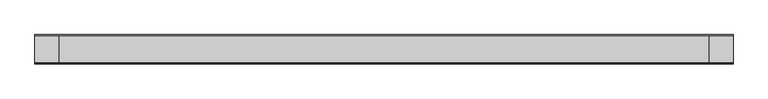
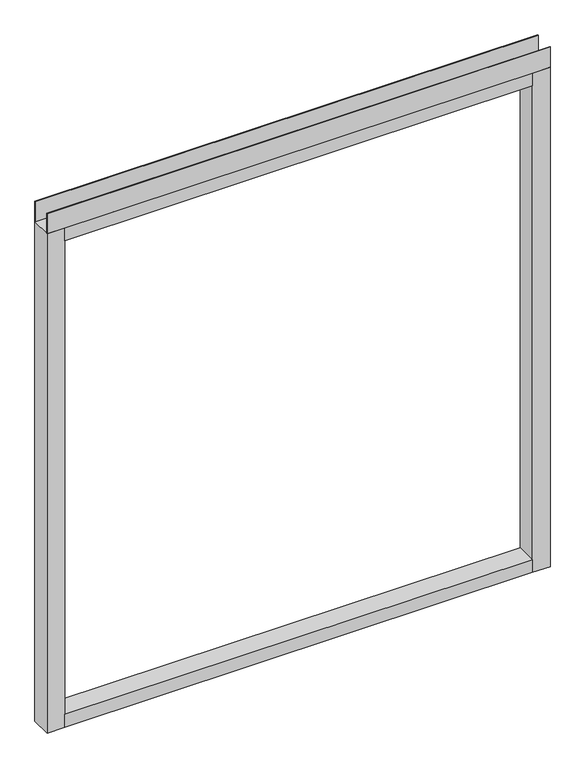
"""IFC4 building model written with IfcOpenShell, lengths in millimetres: furniture geometry."""

from ifc_helpers import new_model, si_unit, frame, origin, place, context, project, spatial, polyline, outline, extrude, source, transform, mapped, element, save


def furniture_6e451b64(model_context):
    return source(origin(), model_context, "Body", "SweptSolid", [
        extrude(outline(polyline([(609.6, -23.8125), (609.6, -25.4), (-609.6, -25.4), (-609.6, -23.8125), (609.6, -23.8125)])), frame((0.0, 0.0, 1381.633), z_axis=(0.0, 0.0, 1.0), x_axis=(1.0, 0.0, 0.0)), (0.0, 0.0, 1.0), 51.435),
        extrude(outline(polyline([(609.6, 25.4), (609.6, 23.8125), (-609.6, 23.8125), (-609.6, 25.4), (609.6, 25.4)])), frame((0.0, 0.0, 1381.633), z_axis=(0.0, 0.0, 1.0), x_axis=(1.0, 0.0, 0.0)), (0.0, 0.0, 1.0), 51.435),
        extrude(outline(polyline([(566.7375, -25.4), (-566.7375, -25.4), (-566.7375, 25.4), (566.7375, 25.4), (566.7375, -25.4)])), frame((0.0, 0.0, 1348.74), z_axis=(0.0, 0.0, 1.0), x_axis=(1.0, 0.0, 0.0)), (0.0, 0.0, 1.0), 32.893),
        extrude(outline(polyline([(566.7375, -25.4), (-566.7375, -25.4), (-566.7375, 25.4), (566.7375, 25.4), (566.7375, -25.4)])), frame((0.0, 0.0, 101.6), z_axis=(0.0, 0.0, 1.0), x_axis=(1.0, 0.0, 0.0)), (0.0, 0.0, 1.0), 32.893),
        extrude(outline(polyline([(-566.7375, -25.4), (-609.6, -25.4), (-609.6, 25.4), (-566.7375, 25.4), (-566.7375, -25.4)])), frame((0.0, 0.0, 101.6), z_axis=(0.0, 0.0, 1.0), x_axis=(1.0, 0.0, 0.0)), (0.0, 0.0, 1.0), 1280.033),
        extrude(outline(polyline([(609.6, -25.4), (566.7375, -25.4), (566.7375, 25.4), (609.6, 25.4), (609.6, -25.4)])), frame((0.0, 0.0, 101.6), z_axis=(0.0, 0.0, 1.0), x_axis=(1.0, 0.0, 0.0)), (0.0, 0.0, 1.0), 1280.033),
    ])


if __name__ == "__main__":
    model = new_model("IFC4")
    model_context = context("Model", 3, world=origin())
    ifc_project = project(units=[si_unit("LENGTHUNIT", "METRE", prefix="MILLI")], contexts=[model_context])
    site = spatial("IfcSite", under=ifc_project)
    building = spatial("IfcBuilding", under=site)
    placement = place(None, origin())
    furniture_shape = furniture_6e451b64(model_context)
    element("IfcFurniture", 1, at=placement, inside=building, context=model_context, shape_type="MappedRepresentation", body=[
        mapped(furniture_shape, transform((0.0, 0.0, 0.0), x_axis=(1.0, 0.0, 0.0), y_axis=(0.0, 1.0, 0.0), z_axis=(0.0, 0.0, 1.0))),
    ])
    save(model, "model.ifc")
